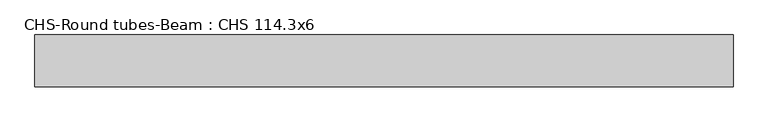
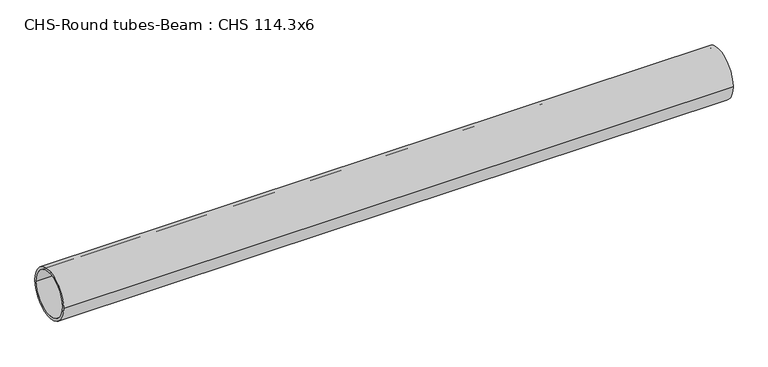
"""IFC4 building model written with IfcOpenShell, lengths in millimetres: beam geometry, CHS-Round tubes-Beam : CHS 114.3x6."""

from ifc_helpers import new_model, si_unit, point, frame, origin, origin_2d, place, context, project, spatial, circle_curve, trimmed, segment, composite_curve, outline, extrude, source, transform, mapped, element, save


def chs_round_tubes_beam_chs_114_3x6_a00635db(model_context):
    return source(origin(), model_context, "Body", "SweptSolid", [
        extrude(outline(composite_curve([segment(trimmed(circle_curve(origin_2d(), 57.15), [point((57.15, 0.0))], [point((-57.15, 0.0))], False, "CARTESIAN"), True, "CONTINUOUS"), segment(trimmed(circle_curve(origin_2d(), 57.15), [point((-57.15, 0.0))], [point((57.15, 0.0))], False, "CARTESIAN"), True, "CONTINUOUS")], self_intersect=False), holes=[composite_curve([segment(trimmed(circle_curve(origin_2d(), 51.15), [point((51.15, 0.0))], [point((-51.15, 0.0))], True, "CARTESIAN"), True, "CONTINUOUS"), segment(trimmed(circle_curve(origin_2d(), 51.15), [point((-51.15, 0.0))], [point((51.15, 0.0))], True, "CARTESIAN"), True, "CONTINUOUS")], self_intersect=False)]), frame((-744.0432181, 0.0, 0.0), z_axis=(1.0, 0.0, 0.0), x_axis=(0.0, 1.0, 0.0)), (0.0, 0.0, 1.0), 1539.7186126),
    ])


if __name__ == "__main__":
    model = new_model("IFC4")
    model_context = context("Model", 3, world=origin())
    ifc_project = project(units=[si_unit("LENGTHUNIT", "METRE", prefix="MILLI")], contexts=[model_context])
    site = spatial("IfcSite", under=ifc_project)
    building = spatial("IfcBuilding", under=site)
    placement = place(None, origin())
    chs_round_tubes_beam_chs_114_3x6_shape = chs_round_tubes_beam_chs_114_3x6_a00635db(model_context)
    element("IfcBeam", 1, ObjectType="CHS-Round tubes-Beam : CHS 114.3x6", at=placement, inside=building, context=model_context, shape_type="MappedRepresentation", body=[
        mapped(chs_round_tubes_beam_chs_114_3x6_shape, transform((0.0, 0.0, 0.0), x_axis=(1.0, 0.0, 0.0), y_axis=(0.0, 1.0, 0.0), z_axis=(0.0, 0.0, 1.0))),
    ])
    save(model, "model.ifc")
